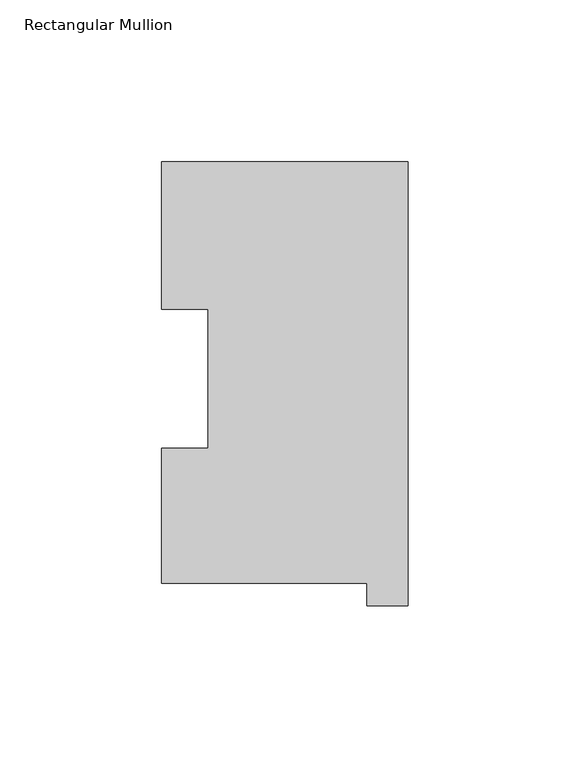
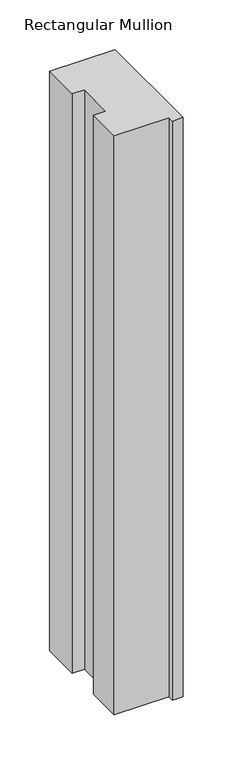
"""IFC4 building model written with IfcOpenShell, lengths in millimetres: member geometry, Rectangular Mullion."""

import ifcopenshell
import ifcopenshell.guid

model = None  # the IFC model being written
_history = None  # IfcOwnerHistory: only IFC2X3 demands one
_inside = {}  # id of a spatial element -> (the spatial element, [elements in it])
_under = {}  # id of a project, library or spatial element -> (it, [spatial elements below it])
_declared = {}  # id of a project -> (the project, [libraries it declares])
_typed = {}  # id of a type object -> (the type object, [elements of that type])
_made_of = {}  # id of a material, layer set ... -> (it, [elements and type objects made of it])


def new_model(schema):
    """Start an empty IFC model of exactly this schema.

    Asked for "IFC4X3", IfcOpenShell would pick the latest addendum, in which some entities
    have other attributes; the version numbers below select the first issue.
    IFC2X3 requires an IfcOwnerHistory on every rooted entity: one is made here for all.
    """
    global model, _history
    if schema == "IFC4X3":
        model = ifcopenshell.file(schema_version=(4, 3, 0, 0))
    else:
        model = ifcopenshell.file(schema=schema)
    _inside.clear()
    _under.clear()
    _declared.clear()
    _typed.clear()
    _made_of.clear()
    _history = None
    if model.schema == "IFC2X3":
        org = make("IfcOrganization", Name="unknown")
        user = make(
            "IfcPersonAndOrganization",
            ThePerson=make("IfcPerson", FamilyName="unknown"),
            TheOrganization=org,
        )
        app = make(
            "IfcApplication",
            ApplicationDeveloper=org,
            Version="unknown",
            ApplicationFullName="unknown",
            ApplicationIdentifier="unknown",
        )
        _history = make(
            "IfcOwnerHistory",
            OwningUser=user,
            OwningApplication=app,
            ChangeAction="ADDED",
            CreationDate=0,
        )
    return model


def make(cls, **values):
    """One entity of the class cls with the attributes given. An attribute that is None is left unset."""
    return model.create_entity(
        cls, **{name: value for name, value in values.items() if value is not None}
    )


def rooted(cls, **values):
    """An entity with a GlobalId (a new one), such as an element, a storey or a relation."""
    return make(cls, GlobalId=ifcopenshell.guid.new(), OwnerHistory=_history, **values)


def si_unit(unit_type, name, prefix=None):
    """IfcSIUnit, for example si_unit("LENGTHUNIT", "METRE", prefix="MILLI")."""
    return make("IfcSIUnit", UnitType=unit_type, Prefix=prefix, Name=name)


def assignment(units):
    """IfcUnitAssignment: the units of a project."""
    return None if units is None else make("IfcUnitAssignment", Units=units)


def point(xyz):
    """IfcCartesianPoint."""
    return None if xyz is None else make("IfcCartesianPoint", Coordinates=xyz)


def direction(xyz):
    """IfcDirection."""
    return None if xyz is None else make("IfcDirection", DirectionRatios=xyz)


def frame(location, z_axis=None, x_axis=None):
    """IfcAxis2Placement3D, a coordinate frame: its origin and axes. An axis left out is left unset."""
    return make(
        "IfcAxis2Placement3D",
        Location=point(location),
        Axis=direction(z_axis),
        RefDirection=direction(x_axis),
    )


def origin():
    """The frame at (0, 0, 0) with its axes left unset."""
    return frame((0.0, 0.0, 0.0))


def place(relative_to, where):
    """IfcLocalPlacement: puts the frame where relative to a parent placement (None: the world)."""
    return make(
        "IfcLocalPlacement", PlacementRelTo=relative_to, RelativePlacement=where
    )


def context(
    kind, dimensions, precision=None, world=None, true_north=None, identifier=None
):
    """IfcGeometricRepresentationContext, for example the 3D "Model" context."""
    return make(
        "IfcGeometricRepresentationContext",
        ContextIdentifier=identifier,
        ContextType=kind,
        CoordinateSpaceDimension=dimensions,
        Precision=precision,
        WorldCoordinateSystem=world,
        TrueNorth=true_north,
    )


def project(units=None, contexts=None):
    """IfcProject with its units and contexts."""
    return rooted(
        "IfcProject",
        Name="project",
        RepresentationContexts=contexts,
        UnitsInContext=assignment(units),
    )


def spatial(cls, under=None, at=None, **own):
    """A site, building, storey or space (cls), placed at a placement, below another one or the project."""
    s = rooted(cls, ObjectPlacement=at, **own)
    if under is not None:
        _under.setdefault(under.id(), (under, []))[1].append(s)
    return s


def polyline(points):
    """IfcPolyline through the points."""
    return make("IfcPolyline", Points=[point(p) for p in points])


def outline(outer, holes=None, kind="AREA"):
    """IfcArbitraryClosedProfileDef: a profile drawn as a closed curve; with holes, ...WithVoids."""
    if holes is None:
        return make("IfcArbitraryClosedProfileDef", ProfileType=kind, OuterCurve=outer)
    return make(
        "IfcArbitraryProfileDefWithVoids",
        ProfileType=kind,
        OuterCurve=outer,
        InnerCurves=holes,
    )


def extrude(swept, where, along, depth):
    """IfcExtrudedAreaSolid: the profile swept, set in the frame where, extruded along a direction by depth."""
    return make(
        "IfcExtrudedAreaSolid",
        SweptArea=swept,
        Position=where,
        ExtrudedDirection=direction(along),
        Depth=depth,
    )


def shape(context_of_items, identifier, shape_type, items):
    """IfcShapeRepresentation: the items that make up one representation, for example the "Body"."""
    return make(
        "IfcShapeRepresentation",
        ContextOfItems=context_of_items,
        RepresentationIdentifier=identifier,
        RepresentationType=shape_type,
        Items=items,
    )


def source(mapping_origin, context_of_items, identifier, shape_type, items):
    """IfcRepresentationMap: a shape defined once, which mapped items show again and again."""
    return make(
        "IfcRepresentationMap",
        MappingOrigin=mapping_origin,
        MappedRepresentation=shape(context_of_items, identifier, shape_type, items),
    )


def transform(
    local_origin,
    x_axis=None,
    y_axis=None,
    z_axis=None,
    scale=None,
    scale2=None,
    scale3=None,
    uniform=True,
):
    """IfcCartesianTransformationOperator3D, or its non-uniform kind. x_axis, y_axis, z_axis: its Axis1, 2, 3."""
    if uniform:
        return make(
            "IfcCartesianTransformationOperator3D",
            Axis1=direction(x_axis),
            Axis2=direction(y_axis),
            LocalOrigin=point(local_origin),
            Scale=scale,
            Axis3=direction(z_axis),
        )
    return make(
        "IfcCartesianTransformationOperator3DnonUniform",
        Axis1=direction(x_axis),
        Axis2=direction(y_axis),
        LocalOrigin=point(local_origin),
        Scale=scale,
        Axis3=direction(z_axis),
        Scale2=scale2,
        Scale3=scale3,
    )


def mapped(mapping_source, mapping_target):
    """IfcMappedItem: shows the shape of a source again, moved by a transform."""
    return make(
        "IfcMappedItem", MappingSource=mapping_source, MappingTarget=mapping_target
    )


def made_of(thing, what):
    """Note that an element or type object is made of a material, layer set ...; save() writes the relation."""
    if what is not None:
        _made_of.setdefault(what.id(), (what, []))[1].append(thing)
    return thing


def element(
    cls,
    number,
    at=None,
    inside=None,
    cuts=None,
    type_object=None,
    material=None,
    context=None,
    identifier="Body",
    shape_type=None,
    held_by="IfcProductDefinitionShape",
    body=None,
    shapes=None,
    **own,
):
    """One element of the class cls, such as IfcWall. Its Tag is "e" and its number.

    at: its placement. inside: the storey or other place that contains it. cuts: it is an
    opening in that element (IfcRelVoidsElement). A single representation is given by context,
    identifier, shape_type and body (its items); several are given by shapes. held_by: the class
    of the entity that holds the representations. save() writes the other relations.
    """
    e = rooted(cls, Tag="e%d" % number, ObjectPlacement=at, **own)
    if body is not None:
        shapes = [shape(context, identifier, shape_type, body)]
    if shapes is not None:
        e.Representation = make(held_by, Representations=shapes)
    if inside is not None:
        _inside.setdefault(inside.id(), (inside, []))[1].append(e)
    if cuts is not None:
        rooted(
            "IfcRelVoidsElement", RelatingBuildingElement=cuts, RelatedOpeningElement=e
        )
    if type_object is not None:
        _typed.setdefault(type_object.id(), (type_object, []))[1].append(e)
    return made_of(e, material)


def aggregate(whole, parts):
    """IfcRelAggregates: a whole, such as a stair, and the parts it consists of."""
    return rooted("IfcRelAggregates", RelatingObject=whole, RelatedObjects=parts)


def save(model, path):
    """Write the relations noted so far, then the file.

    IfcRelAggregates (storeys below a building ...), IfcRelContainedInSpatialStructure (elements
    in a storey), IfcRelDefinesByType, IfcRelAssociatesMaterial and IfcRelDeclares: one each for
    every whole, place, type object, material and project.
    """
    for whole, parts in _under.values():
        aggregate(whole, parts)
    for where, things in _inside.values():
        rooted(
            "IfcRelContainedInSpatialStructure",
            RelatedElements=things,
            RelatingStructure=where,
        )
    for kind, things in _typed.values():
        rooted("IfcRelDefinesByType", RelatedObjects=things, RelatingType=kind)
    for what, things in _made_of.values():
        rooted("IfcRelAssociatesMaterial", RelatedObjects=things, RelatingMaterial=what)
    for by, libraries in _declared.values():
        rooted("IfcRelDeclares", RelatingContext=by, RelatedDefinitions=libraries)
    model.write(path)


def rectangular_mullion_75c28ee0(model_context):
    return source(origin(), model_context, "Body", "SweptSolid", [
        extrude(outline(polyline([(-76.2, 130.56235), (0.0, 130.56235), (0.0, -6.64845), (-12.7, -6.64845), (-12.7, 0.26035), (-76.2, 0.26035), (-76.2, 42.0485036), (-61.9101579, 42.0485036), (-61.9101579, 84.93125), (-76.2, 84.93125), (-76.2, 130.56235)])), frame((0.0, 0.0, -711.2), z_axis=(0.0, 0.0, 1.0), x_axis=(1.0, 0.0, 0.0)), (0.0, 0.0, 1.0), 711.2),
    ])


if __name__ == "__main__":
    model = new_model("IFC4")
    model_context = context("Model", 3, world=origin())
    ifc_project = project(units=[si_unit("LENGTHUNIT", "METRE", prefix="MILLI")], contexts=[model_context])
    site = spatial("IfcSite", under=ifc_project)
    building = spatial("IfcBuilding", under=site)
    placement = place(None, origin())
    rectangular_mullion_shape = rectangular_mullion_75c28ee0(model_context)
    element("IfcMember", 1, ObjectType="Rectangular Mullion", at=placement, inside=building, context=model_context, shape_type="MappedRepresentation", body=[
        mapped(rectangular_mullion_shape, transform((0.0, 0.0, 0.0), x_axis=(1.0, 0.0, 0.0), y_axis=(0.0, 1.0, 0.0), z_axis=(0.0, 0.0, 1.0))),
    ])
    save(model, "model.ifc")
